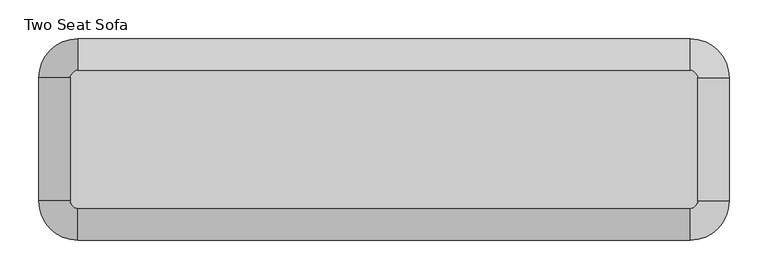
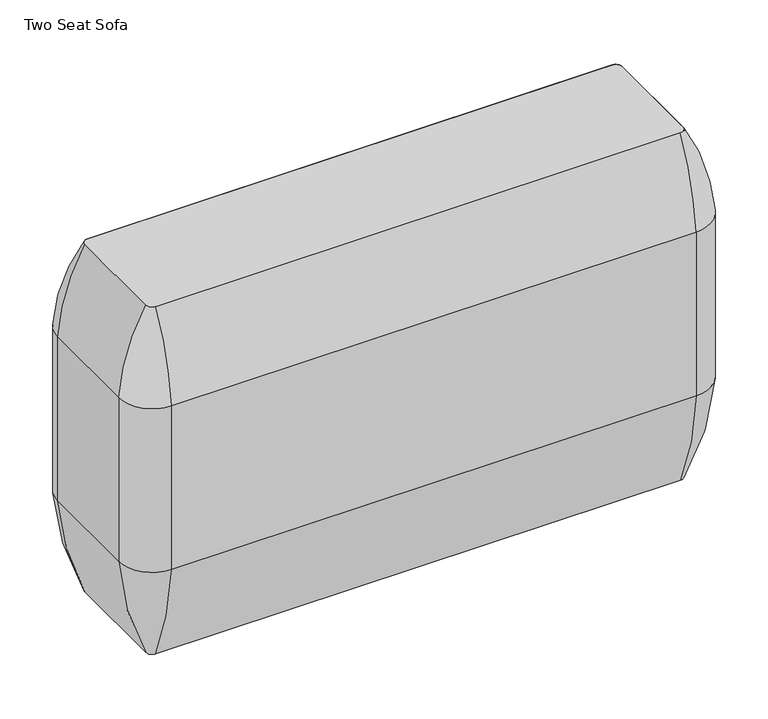
"""IFC4 building model written with IfcOpenShell, lengths in millimetres: furniture geometry, Two Seat Sofa."""

from ifc_helpers import new_model, si_unit, point, frame, frame_2d, origin, place, context, project, spatial, polyline, circle_curve, ellipse_curve, trimmed, segment, composite_curve, outline, extrude, source, transform, mapped, element, save
from ifc_brep_helpers import plane_surface, cylinder_surface, revolved_surface, advanced_brep


def two_seat_sofa_691610c4(model_context):
    return source(origin(), model_context, "Body", "SolidModel", [
        advanced_brep(
        [(740.5862775, 103.5149266, 283.1115097), (740.5862775, 103.5149266, 543.4615097), (740.5862775, -55.2078555, 543.4615097), (740.5862775, -55.2078555, 283.1115097), (699.8599702, 103.5149266, 123.9999984), (699.8599702, -55.2078555, 123.9999984), (699.8599702, 103.5149266, 676.7599216), (699.8599702, -55.2078555, 676.7599216), (690.034895, -105.759238, 283.1115097), (690.034895, -105.759238, 543.4615097), (-99.6917319, -105.759238, 543.4615097), (-99.6917319, -105.759238, 283.1115097), (690.034895, -65.0329307, 123.9999984), (-99.6917319, -65.0329307, 123.9999984), (690.034895, -65.0329307, 676.7599216), (-99.6917319, -65.0329307, 676.7599216), (-150.2431144, -55.2078555, 283.1115097), (-150.2431144, -55.2078555, 543.4615097), (-150.2431144, 103.5149266, 543.4615097), (-150.2431144, 103.5149266, 283.1115097), (-109.5168071, -55.2078555, 123.9999984), (-109.5168071, 103.5149266, 123.9999984), (-109.5168071, -55.2078555, 676.7599216), (-109.5168071, 103.5149266, 676.7599216), (-99.6917319, 154.0663091, 283.1115097), (-99.6917319, 154.0663091, 543.4615097), (690.034895, 154.0663091, 543.4615097), (690.034895, 154.0663091, 283.1115097), (-99.6917319, 113.3400018, 123.9999984), (690.034895, 113.3400018, 123.9999984), (-99.6917319, 113.3400018, 676.7599216), (690.034895, 113.3400018, 676.7599216)],
        [
            (0, 1, circle_curve(frame((-1065.9013647, 103.5149266, 413.2865097), z_axis=(0.0, -1.0, 0.0), x_axis=(1.0, 0.0, 0.0)), 1811.1717567)),
            (1, 2),
            (2, 3, circle_curve(frame((-1065.9013647, -55.2078555, 413.2865097), z_axis=(0.0, 1.0, 0.0), x_axis=(1.0, 0.0, 0.0)), 1811.1717567)),
            (3, 0),
            (4, 0, circle_curve(frame((279.6431823, 103.5149266, 316.3269417), z_axis=(0.0, -1.0, 0.0), x_axis=(1.0, 0.0, 0.0)), 462.1382931)),
            (3, 5, circle_curve(frame((279.6431823, -55.2078555, 316.3269417), z_axis=(0.0, 1.0, 0.0), x_axis=(1.0, 0.0, 0.0)), 462.1382931)),
            (5, 4),
            (6, 4),
            (5, 7),
            (7, 6),
            (8, 9, circle_curve(frame((690.034895, 1700.7284043, 413.2865097), z_axis=(-1.0, 0.0, 0.0), x_axis=(0.0, -1.0, 0.0)), 1811.1717567)),
            (9, 10),
            (10, 11, circle_curve(frame((-99.6917319, 1700.7284043, 413.2865097), z_axis=(1.0, 0.0, 0.0), x_axis=(0.0, -1.0, 0.0)), 1811.1717567)),
            (11, 8),
            (12, 8, circle_curve(frame((690.034895, 355.1838572, 316.3269417), z_axis=(-1.0, 0.0, 0.0), x_axis=(0.0, -1.0, 0.0)), 462.1382931)),
            (11, 13, circle_curve(frame((-99.6917319, 355.1838572, 316.3269417), z_axis=(1.0, 0.0, 0.0), x_axis=(0.0, -1.0, 0.0)), 462.1382931)),
            (13, 12),
            (14, 12),
            (13, 15),
            (15, 14),
            (16, 17, circle_curve(frame((1656.2445278, -55.2078555, 413.2865097), z_axis=(0.0, 1.0, 0.0), x_axis=(-1.0, 0.0, 0.0)), 1811.1717567)),
            (17, 18),
            (18, 19, circle_curve(frame((1656.2445278, 103.5149266, 413.2865097), z_axis=(0.0, -1.0, 0.0), x_axis=(-1.0, 0.0, 0.0)), 1811.1717567)),
            (19, 16),
            (20, 16, circle_curve(frame((310.6999808, -55.2078555, 316.3269417), z_axis=(0.0, 1.0, 0.0), x_axis=(-1.0, 0.0, 0.0)), 462.1382931)),
            (19, 21, circle_curve(frame((310.6999808, 103.5149266, 316.3269417), z_axis=(0.0, -1.0, 0.0), x_axis=(-1.0, 0.0, 0.0)), 462.1382931)),
            (21, 20),
            (22, 20),
            (21, 23),
            (23, 22),
            (24, 25, circle_curve(frame((-99.6917319, -1652.4213331, 413.2865097), z_axis=(1.0, 0.0, 0.0), x_axis=(0.0, 1.0, 0.0)), 1811.1717567)),
            (25, 26),
            (26, 27, circle_curve(frame((690.034895, -1652.4213331, 413.2865097), z_axis=(-1.0, 0.0, 0.0), x_axis=(0.0, 1.0, 0.0)), 1811.1717567)),
            (27, 24),
            (28, 24, circle_curve(frame((-99.6917319, -306.8767861, 316.3269417), z_axis=(1.0, 0.0, 0.0), x_axis=(0.0, 1.0, 0.0)), 462.1382931)),
            (27, 29, circle_curve(frame((690.034895, -306.8767861, 316.3269417), z_axis=(-1.0, 0.0, 0.0), x_axis=(0.0, 1.0, 0.0)), 462.1382931)),
            (29, 28),
            (30, 28),
            (29, 31),
            (31, 30),
            (0, 27, circle_curve(frame((690.034895, 103.5149266, 283.1115097), z_axis=(0.0, 0.0, 1.0), x_axis=(0.0, 1.0, 0.0)), 50.5513825)),
            (26, 1, circle_curve(frame((690.034895, 103.5149266, 543.4615097), z_axis=(0.0, 0.0, -1.0), x_axis=(0.0, 1.0, 0.0)), 50.5513825)),
            (4, 29, circle_curve(frame((690.034895, 103.5149266, 123.9999984), z_axis=(0.0, 0.0, 1.0), x_axis=(0.0, 1.0, 0.0)), 9.8250752)),
            (6, 31, circle_curve(frame((690.034895, 103.5149266, 676.7599216), z_axis=(0.0, 0.0, 1.0), x_axis=(0.0, 1.0, 0.0)), 9.8250752)),
            (8, 3, circle_curve(frame((690.034895, -55.2078555, 283.1115097), z_axis=(0.0, 0.0, 1.0), x_axis=(1.0, 0.0, 0.0)), 50.5513825)),
            (2, 9, circle_curve(frame((690.034895, -55.2078555, 543.4615097), z_axis=(0.0, 0.0, -1.0), x_axis=(1.0, 0.0, 0.0)), 50.5513825)),
            (12, 5, circle_curve(frame((690.034895, -55.2078555, 123.9999984), z_axis=(0.0, 0.0, 1.0), x_axis=(1.0, 0.0, 0.0)), 9.8250752)),
            (14, 7, circle_curve(frame((690.034895, -55.2078555, 676.7599216), z_axis=(0.0, 0.0, 1.0), x_axis=(1.0, 0.0, 0.0)), 9.8250752)),
            (16, 11, circle_curve(frame((-99.6917319, -55.2078555, 283.1115097), z_axis=(0.0, 0.0, 1.0), x_axis=(0.0, -1.0, 0.0)), 50.5513825)),
            (10, 17, circle_curve(frame((-99.6917319, -55.2078555, 543.4615097), z_axis=(0.0, 0.0, -1.0), x_axis=(0.0, -1.0, 0.0)), 50.5513825)),
            (20, 13, circle_curve(frame((-99.6917319, -55.2078555, 123.9999984), z_axis=(0.0, 0.0, 1.0), x_axis=(0.0, -1.0, 0.0)), 9.8250752)),
            (22, 15, circle_curve(frame((-99.6917319, -55.2078555, 676.7599216), z_axis=(0.0, 0.0, 1.0), x_axis=(0.0, -1.0, 0.0)), 9.8250752)),
            (24, 19, circle_curve(frame((-99.6917319, 103.5149266, 283.1115097), z_axis=(0.0, 0.0, 1.0), x_axis=(-1.0, 0.0, 0.0)), 50.5513825)),
            (18, 25, circle_curve(frame((-99.6917319, 103.5149266, 543.4615097), z_axis=(0.0, 0.0, -1.0), x_axis=(-1.0, 0.0, 0.0)), 50.5513825)),
            (28, 21, circle_curve(frame((-99.6917319, 103.5149266, 123.9999984), z_axis=(0.0, 0.0, 1.0), x_axis=(-1.0, 0.0, 0.0)), 9.8250752)),
            (30, 23, circle_curve(frame((-99.6917319, 103.5149266, 676.7599216), z_axis=(0.0, 0.0, 1.0), x_axis=(-1.0, 0.0, 0.0)), 9.8250752)),
            (26, 31, circle_curve(frame((690.034895, -158.0571081, 520.9699825), z_axis=(1.0, 0.0, 0.0), x_axis=(0.0, 1.0, 0.0)), 312.9327346)),
            (6, 1, circle_curve(frame((428.4628603, 103.5149266, 520.9699825), z_axis=(0.0, 1.0, 0.0), x_axis=(1.0, 0.0, 0.0)), 312.9327346)),
            (7, 2, circle_curve(frame((428.4628603, -55.2078555, 520.9699825), z_axis=(0.0, 1.0, 0.0), x_axis=(1.0, 0.0, 0.0)), 312.9327346)),
            (14, 9, circle_curve(frame((690.034895, 206.3641793, 520.9699825), z_axis=(1.0, 0.0, 0.0), x_axis=(0.0, -1.0, 0.0)), 312.9327346)),
            (15, 10, circle_curve(frame((-99.6917319, 206.3641793, 520.9699825), z_axis=(1.0, 0.0, 0.0), x_axis=(0.0, -1.0, 0.0)), 312.9327346)),
            (22, 17, circle_curve(frame((161.8803028, -55.2078555, 520.9699825), z_axis=(0.0, -1.0, 0.0), x_axis=(-1.0, 0.0, 0.0)), 312.9327346)),
            (23, 18, circle_curve(frame((161.8803028, 103.5149266, 520.9699825), z_axis=(0.0, -1.0, 0.0), x_axis=(-1.0, 0.0, 0.0)), 312.9327346)),
            (30, 25, circle_curve(frame((-99.6917319, -158.0571081, 520.9699825), z_axis=(-1.0, 0.0, 0.0), x_axis=(0.0, 1.0, 0.0)), 312.9327346)),
        ],
        [
            cylinder_surface(frame((-1065.9013647, 103.5149266, 413.2865097), z_axis=(0.0, 1.0, 0.0), x_axis=(1.0, 0.0, 0.0)), 1811.1717567),
            cylinder_surface(frame((279.6431823, 103.5149266, 316.3269417), z_axis=(0.0, 1.0, 0.0), x_axis=(1.0, 0.0, 0.0)), 462.1382931),
            plane_surface(frame((699.8599702, 103.5149266, 123.9999984), z_axis=(-1.0, 0.0, 0.0), x_axis=(0.0, -1.0, 0.0))),
            cylinder_surface(frame((690.034895, 1700.7284043, 413.2865097), z_axis=(1.0, 0.0, 0.0), x_axis=(0.0, -1.0, 0.0)), 1811.1717567),
            cylinder_surface(frame((690.034895, 355.1838572, 316.3269417), z_axis=(1.0, 0.0, 0.0), x_axis=(0.0, -1.0, 0.0)), 462.1382931),
            plane_surface(frame((690.034895, -65.0329307, 123.9999984), z_axis=(0.0, 1.0, 0.0), x_axis=(-1.0, 0.0, 0.0))),
            cylinder_surface(frame((1656.2445278, -55.2078555, 413.2865097), z_axis=(0.0, -1.0, 0.0), x_axis=(-1.0, 0.0, 0.0)), 1811.1717567),
            cylinder_surface(frame((310.6999808, -55.2078555, 316.3269417), z_axis=(0.0, -1.0, 0.0), x_axis=(-1.0, 0.0, 0.0)), 462.1382931),
            plane_surface(frame((-109.5168071, -55.2078555, 123.9999984), z_axis=(1.0, 0.0, 0.0), x_axis=(0.0, 1.0, 0.0))),
            cylinder_surface(frame((-99.6917319, -1652.4213331, 413.2865097), z_axis=(-1.0, 0.0, 0.0), x_axis=(0.0, 1.0, 0.0)), 1811.1717567),
            cylinder_surface(frame((-99.6917319, -306.8767861, 316.3269417), z_axis=(-1.0, 0.0, 0.0), x_axis=(0.0, 1.0, 0.0)), 462.1382931),
            plane_surface(frame((-99.6917319, 113.3400018, 123.9999984), z_axis=(0.0, -1.0, 0.0), x_axis=(1.0, 0.0, 0.0))),
            revolved_surface(trimmed(ellipse_curve(frame((690.034895, -1652.4213331, 413.2865097), z_axis=(-1.0, 0.0, 0.0), x_axis=(0.0, 1.0, 0.0)), 1811.1717567, 1811.1717567), [point((690.034895, 154.0663091, 543.4615097))], [point((690.034895, 154.0663091, 283.1115097))], True, "CARTESIAN"), (690.034895, 103.5149266, -1.2587073), (0.0, 0.0, -1.0)),
            revolved_surface(trimmed(ellipse_curve(frame((690.034895, -306.8767861, 316.3269417), z_axis=(-1.0, 0.0, 0.0), x_axis=(0.0, 1.0, 0.0)), 462.1382931, 462.1382931), [point((690.034895, 154.0663091, 283.1115097))], [point((690.034895, 113.3400018, 123.9999984))], True, "CARTESIAN"), (690.034895, 103.5149266, -1.2587073), (0.0, 0.0, -1.0)),
            revolved_surface(polyline([(690.034895, 113.3400018, 123.9999984), (690.034895, 113.3400018, 676.7599216)]), (690.034895, 103.5149266, -1.2587073), (0.0, 0.0, -1.0)),
            revolved_surface(trimmed(ellipse_curve(frame((-1065.9013647, -55.2078555, 413.2865097), z_axis=(0.0, 1.0, 0.0), x_axis=(1.0, 0.0, 0.0)), 1811.1717567, 1811.1717567), [point((740.5862775, -55.2078555, 543.4615097))], [point((740.5862775, -55.2078555, 283.1115097))], True, "CARTESIAN"), (690.034895, -55.2078555, -1.2587073), (0.0, 0.0, -1.0)),
            revolved_surface(trimmed(ellipse_curve(frame((279.6431823, -55.2078555, 316.3269417), z_axis=(0.0, 1.0, 0.0), x_axis=(1.0, 0.0, 0.0)), 462.1382931, 462.1382931), [point((740.5862775, -55.2078555, 283.1115097))], [point((699.8599702, -55.2078555, 123.9999984))], True, "CARTESIAN"), (690.034895, -55.2078555, -1.2587073), (0.0, 0.0, -1.0)),
            revolved_surface(polyline([(699.8599702, -55.2078555, 123.9999984), (699.8599702, -55.2078555, 676.7599216)]), (690.034895, -55.2078555, -1.2587073), (0.0, 0.0, -1.0)),
            revolved_surface(trimmed(ellipse_curve(frame((-99.6917319, 1700.7284043, 413.2865097), z_axis=(1.0, 0.0, 0.0), x_axis=(0.0, -1.0, 0.0)), 1811.1717567, 1811.1717567), [point((-99.6917319, -105.759238, 543.4615097))], [point((-99.6917319, -105.759238, 283.1115097))], True, "CARTESIAN"), (-99.6917319, -55.2078555, -1.2587073), (0.0, 0.0, -1.0)),
            revolved_surface(trimmed(ellipse_curve(frame((-99.6917319, 355.1838572, 316.3269417), z_axis=(1.0, 0.0, 0.0), x_axis=(0.0, -1.0, 0.0)), 462.1382931, 462.1382931), [point((-99.6917319, -105.759238, 283.1115097))], [point((-99.6917319, -65.0329307, 123.9999984))], True, "CARTESIAN"), (-99.6917319, -55.2078555, -1.2587073), (0.0, 0.0, -1.0)),
            revolved_surface(polyline([(-99.6917319, -65.03293070000001, 123.9999984), (-99.6917319, -65.03293070000001, 676.7599216)]), (-99.6917319, -55.2078555, -1.2587073), (0.0, 0.0, -1.0)),
            revolved_surface(trimmed(ellipse_curve(frame((1656.2445278, 103.5149266, 413.2865097), z_axis=(0.0, -1.0, 0.0), x_axis=(-1.0, 0.0, 0.0)), 1811.1717567, 1811.1717567), [point((-150.2431144, 103.5149266, 543.4615097))], [point((-150.2431144, 103.5149266, 283.1115097))], True, "CARTESIAN"), (-99.6917319, 103.5149266, -1.2587073), (0.0, 0.0, -1.0)),
            revolved_surface(trimmed(ellipse_curve(frame((310.6999808, 103.5149266, 316.3269417), z_axis=(0.0, -1.0, 0.0), x_axis=(-1.0, 0.0, 0.0)), 462.1382931, 462.1382931), [point((-150.2431144, 103.5149266, 283.1115097))], [point((-109.5168071, 103.5149266, 123.9999984))], True, "CARTESIAN"), (-99.6917319, 103.5149266, -1.2587073), (0.0, 0.0, -1.0)),
            revolved_surface(polyline([(-109.5168071, 103.5149266, 123.9999984), (-109.5168071, 103.5149266, 676.7599216)]), (-99.6917319, 103.5149266, -1.2587073), (0.0, 0.0, -1.0)),
            revolved_surface(trimmed(ellipse_curve(frame((690.034895, -158.0571081, 520.9699825), z_axis=(-1.0, 0.0, 0.0), x_axis=(0.0, 1.0, 0.0)), 312.9327346, 312.9327346), [point((690.034895, 113.3400018, 676.7599216))], [point((690.034895, 154.0663091, 543.4615097))], True, "CARTESIAN"), (690.034895, 103.5149266, -1.2587073), (0.0, 0.0, -1.0)),
            cylinder_surface(frame((428.4628603, 103.5149266, 520.9699825), z_axis=(0.0, 1.0, 0.0), x_axis=(1.0, 0.0, 0.0)), 312.9327346),
            revolved_surface(trimmed(ellipse_curve(frame((428.4628603, -55.2078555, 520.9699825), z_axis=(0.0, 1.0, 0.0), x_axis=(1.0, 0.0, 0.0)), 312.9327346, 312.9327346), [point((699.8599702, -55.2078555, 676.7599216))], [point((740.5862775, -55.2078555, 543.4615097))], True, "CARTESIAN"), (690.034895, -55.2078555, -1.2587073), (0.0, 0.0, -1.0)),
            cylinder_surface(frame((690.034895, 206.3641793, 520.9699825), z_axis=(1.0, 0.0, 0.0), x_axis=(0.0, -1.0, 0.0)), 312.9327346),
            revolved_surface(trimmed(ellipse_curve(frame((-99.6917319, 206.3641793, 520.9699825), z_axis=(1.0, 0.0, 0.0), x_axis=(0.0, -1.0, 0.0)), 312.9327346, 312.9327346), [point((-99.6917319, -65.0329307, 676.7599216))], [point((-99.6917319, -105.759238, 543.4615097))], True, "CARTESIAN"), (-99.6917319, -55.2078555, -1.2587073), (0.0, 0.0, -1.0)),
            cylinder_surface(frame((161.8803028, -55.2078555, 520.9699825), z_axis=(0.0, -1.0, 0.0), x_axis=(-1.0, 0.0, 0.0)), 312.9327346),
            revolved_surface(trimmed(ellipse_curve(frame((161.8803028, 103.5149266, 520.9699825), z_axis=(0.0, -1.0, 0.0), x_axis=(-1.0, 0.0, 0.0)), 312.9327346, 312.9327346), [point((-109.5168071, 103.5149266, 676.7599216))], [point((-150.2431144, 103.5149266, 543.4615097))], True, "CARTESIAN"), (-99.6917319, 103.5149266, -1.2587073), (0.0, 0.0, -1.0)),
            cylinder_surface(frame((-99.6917319, -158.0571081, 520.9699825), z_axis=(-1.0, 0.0, 0.0), x_axis=(0.0, 1.0, 0.0)), 312.9327346),
        ],
        [
            (0, [[1, 2, 3, 4]]),
            (1, [[5, -4, 6, 7]]),
            (2, [[8, -7, 9, 10]]),
            (3, [[11, 12, 13, 14]]),
            (4, [[15, -14, 16, 17]]),
            (5, [[18, -17, 19, 20]]),
            (6, [[21, 22, 23, 24]]),
            (7, [[25, -24, 26, 27]]),
            (8, [[28, -27, 29, 30]]),
            (9, [[31, 32, 33, 34]]),
            (10, [[35, -34, 36, 37]]),
            (11, [[38, -37, 39, 40]]),
            (12, [[41, -33, 42, -1]]),
            (13, [[43, -36, -41, -5]]),
            (14, [[44, -39, -43, -8]]),
            (15, [[45, -3, 46, -11]]),
            (16, [[47, -6, -45, -15]]),
            (17, [[48, -9, -47, -18]]),
            (18, [[49, -13, 50, -21]]),
            (19, [[51, -16, -49, -25]]),
            (20, [[52, -19, -51, -28]]),
            (21, [[53, -23, 54, -31]]),
            (22, [[55, -26, -53, -35]]),
            (23, [[56, -29, -55, -38]]),
            (24, [[-42, 57, -44, 58]]),
            (25, [[-58, -10, 59, -2]]),
            (26, [[-46, -59, -48, 60]]),
            (27, [[-60, -20, 61, -12]]),
            (28, [[-50, -61, -52, 62]]),
            (29, [[-62, -30, 63, -22]]),
            (30, [[-54, -63, -56, 64]]),
            (31, [[-64, -40, -57, -32]]),
        ],
    ),
        extrude(outline(composite_curve([segment(polyline([(-109.5168071, -55.2078555), (-109.5168071, 103.5149266)]), True, "CONTINUOUS"), segment(trimmed(circle_curve(frame_2d((-99.6917319, 103.5149266)), 9.8250752), [point((-109.5168071, 103.5149266))], [point((-99.6917319, 113.3400018))], False, "CARTESIAN"), True, "CONTINUOUS"), segment(polyline([(-99.6917319, 113.3400018), (690.034895, 113.3400018)]), True, "CONTINUOUS"), segment(trimmed(circle_curve(frame_2d((690.034895, 103.5149266)), 9.8250752), [point((690.034895, 113.3400018))], [point((699.8599702, 103.5149266))], False, "CARTESIAN"), True, "CONTINUOUS"), segment(polyline([(699.8599702, 103.5149266), (699.8599702, -55.2078555)]), True, "CONTINUOUS"), segment(trimmed(circle_curve(frame_2d((690.034895, -55.2078555)), 9.8250752), [point((699.8599702, -55.2078555))], [point((690.034895, -65.0329307))], False, "CARTESIAN"), True, "CONTINUOUS"), segment(polyline([(690.034895, -65.0329307), (-99.6917319, -65.0329307)]), True, "CONTINUOUS"), segment(trimmed(circle_curve(frame_2d((-99.6917319, -55.2078555)), 9.8250752), [point((-99.6917319, -65.0329307))], [point((-109.5168071, -55.2078555))], False, "CARTESIAN"), True, "CONTINUOUS")], self_intersect=False)), frame((0.0, 0.0, 123.9999984), z_axis=(0.0, 0.0, 1.0), x_axis=(1.0, 0.0, 0.0)), (0.0, 0.0, 1.0), 552.7599232),
    ])


if __name__ == "__main__":
    model = new_model("IFC4")
    model_context = context("Model", 3, world=origin())
    ifc_project = project(units=[si_unit("LENGTHUNIT", "METRE", prefix="MILLI")], contexts=[model_context])
    site = spatial("IfcSite", under=ifc_project)
    building = spatial("IfcBuilding", under=site)
    placement = place(None, origin())
    two_seat_sofa_shape = two_seat_sofa_691610c4(model_context)
    element("IfcFurniture", 1, ObjectType="Two Seat Sofa", at=placement, inside=building, context=model_context, shape_type="MappedRepresentation", body=[
        mapped(two_seat_sofa_shape, transform((0.0, 0.0, 0.0), x_axis=(1.0, 0.0, 0.0), y_axis=(0.0, 1.0, 0.0), z_axis=(0.0, 0.0, 1.0))),
    ])
    save(model, "model.ifc")
